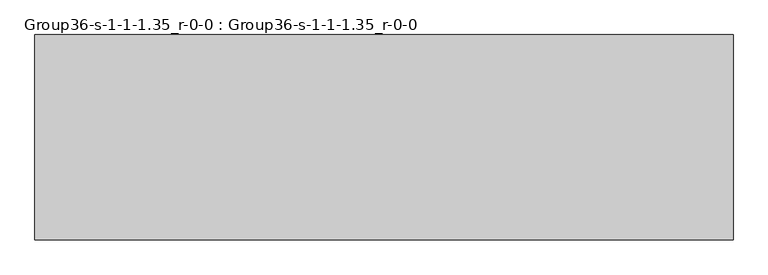
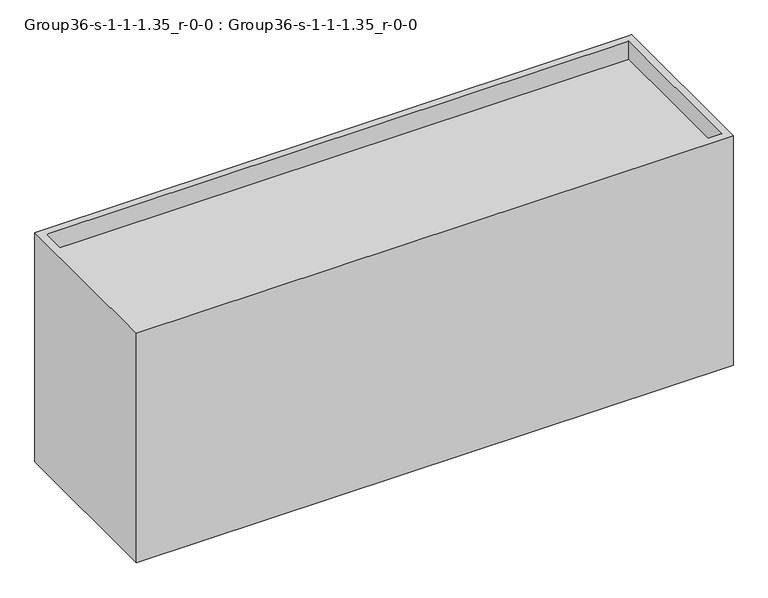
"""IFC4 building model written with IfcOpenShell, lengths in millimetres: geographic element geometry, Group36-s-1-1-1.35_r-0-0 : Group36-s-1-1-1.35_r-0-0."""

from ifc_helpers import new_model, si_unit, origin, place, context, project, spatial, triangles, source, transform, mapped, element, save


def group36_s_1_1_1_35_r_0_0_group36_s_1_1_1_35_r_0_0_d334994f(model_context):
    return source(origin(), model_context, "Body", "Tessellation", [
        triangles([(16976.7253876, 7585.0748062, 0.0), (-8792.4749451, 0.0, 0.0), (-8792.4749451, 7585.0748062, 0.0), (16976.7253876, 0.0, 0.0), (-8792.4749451, 7585.0748062, 10472.8549347), (16976.7253876, 7585.0748062, 10472.8549347), (16671.9253876, 7280.2748062, 10472.8549347), (16671.9253876, 304.8, 9649.8952835), (16671.9253876, 304.8, 10472.8549347), (16671.9253876, 7280.2748062, 9649.8952835), (-8487.6749451, 7280.2748062, 9649.8952835), (-8487.6749451, 7280.2748062, 10472.8549347), (16976.7253876, 0.0, 10472.8549347), (-8487.6749451, 304.8, 10472.8549347), (-8487.6749451, 304.8, 9649.8952835), (-8792.4749451, 0.0, 10472.8549347)], [[1, 2, 3], [2, 1, 4], [5, 1, 3], [1, 5, 6], [7, 8, 9], [8, 7, 10], [7, 11, 10], [11, 7, 12], [1, 13, 4], [13, 1, 6], [14, 8, 15], [8, 14, 9], [16, 14, 5], [14, 16, 13], [14, 13, 9], [9, 13, 7], [5, 12, 6], [12, 5, 14], [6, 12, 7], [6, 7, 13], [4, 16, 2], [16, 4, 13], [16, 3, 2], [3, 16, 5], [11, 14, 15], [14, 11, 12], [8, 11, 15], [11, 8, 10]]),
    ])


if __name__ == "__main__":
    model = new_model("IFC4")
    model_context = context("Model", 3, world=origin())
    ifc_project = project(units=[si_unit("LENGTHUNIT", "METRE", prefix="MILLI")], contexts=[model_context])
    site = spatial("IfcSite", under=ifc_project)
    building = spatial("IfcBuilding", under=site)
    placement = place(None, origin())
    group36_s_1_1_1_35_r_0_0_group36_s_1_1_1_35_r_0_0_shape = group36_s_1_1_1_35_r_0_0_group36_s_1_1_1_35_r_0_0_d334994f(model_context)
    element("IfcGeographicElement", 1, ObjectType="Group36-s-1-1-1.35_r-0-0 : Group36-s-1-1-1.35_r-0-0", at=placement, inside=building, context=model_context, shape_type="MappedRepresentation", body=[
        mapped(group36_s_1_1_1_35_r_0_0_group36_s_1_1_1_35_r_0_0_shape, transform((0.0, 0.0, 0.0), x_axis=(1.0, 0.0, 0.0), y_axis=(0.0, 1.0, 0.0), z_axis=(0.0, 0.0, 1.0))),
    ])
    save(model, "model.ifc")
